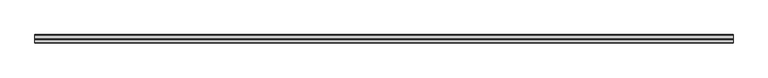
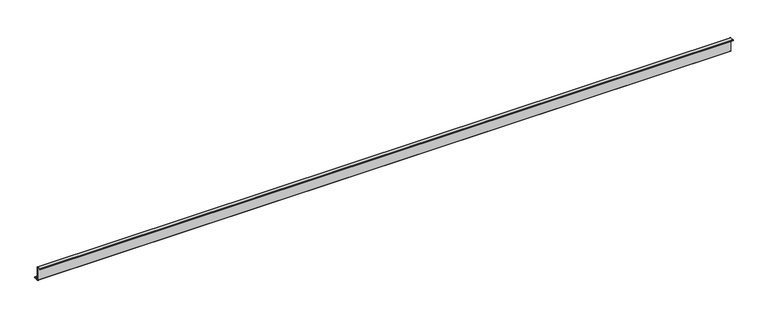
"""IFC4 building model written with IfcOpenShell, lengths in millimetres: member geometry."""

import ifcopenshell
import ifcopenshell.guid

model = None  # the IFC model being written
_history = None  # IfcOwnerHistory: only IFC2X3 demands one
_inside = {}  # id of a spatial element -> (the spatial element, [elements in it])
_under = {}  # id of a project, library or spatial element -> (it, [spatial elements below it])
_declared = {}  # id of a project -> (the project, [libraries it declares])
_typed = {}  # id of a type object -> (the type object, [elements of that type])
_made_of = {}  # id of a material, layer set ... -> (it, [elements and type objects made of it])


def new_model(schema):
    """Start an empty IFC model of exactly this schema.

    Asked for "IFC4X3", IfcOpenShell would pick the latest addendum, in which some entities
    have other attributes; the version numbers below select the first issue.
    IFC2X3 requires an IfcOwnerHistory on every rooted entity: one is made here for all.
    """
    global model, _history
    if schema == "IFC4X3":
        model = ifcopenshell.file(schema_version=(4, 3, 0, 0))
    else:
        model = ifcopenshell.file(schema=schema)
    _inside.clear()
    _under.clear()
    _declared.clear()
    _typed.clear()
    _made_of.clear()
    _history = None
    if model.schema == "IFC2X3":
        org = make("IfcOrganization", Name="unknown")
        user = make(
            "IfcPersonAndOrganization",
            ThePerson=make("IfcPerson", FamilyName="unknown"),
            TheOrganization=org,
        )
        app = make(
            "IfcApplication",
            ApplicationDeveloper=org,
            Version="unknown",
            ApplicationFullName="unknown",
            ApplicationIdentifier="unknown",
        )
        _history = make(
            "IfcOwnerHistory",
            OwningUser=user,
            OwningApplication=app,
            ChangeAction="ADDED",
            CreationDate=0,
        )
    return model


def make(cls, **values):
    """One entity of the class cls with the attributes given. An attribute that is None is left unset."""
    return model.create_entity(
        cls, **{name: value for name, value in values.items() if value is not None}
    )


def rooted(cls, **values):
    """An entity with a GlobalId (a new one), such as an element, a storey or a relation."""
    return make(cls, GlobalId=ifcopenshell.guid.new(), OwnerHistory=_history, **values)


def si_unit(unit_type, name, prefix=None):
    """IfcSIUnit, for example si_unit("LENGTHUNIT", "METRE", prefix="MILLI")."""
    return make("IfcSIUnit", UnitType=unit_type, Prefix=prefix, Name=name)


def assignment(units):
    """IfcUnitAssignment: the units of a project."""
    return None if units is None else make("IfcUnitAssignment", Units=units)


def point(xyz):
    """IfcCartesianPoint."""
    return None if xyz is None else make("IfcCartesianPoint", Coordinates=xyz)


def direction(xyz):
    """IfcDirection."""
    return None if xyz is None else make("IfcDirection", DirectionRatios=xyz)


def frame(location, z_axis=None, x_axis=None):
    """IfcAxis2Placement3D, a coordinate frame: its origin and axes. An axis left out is left unset."""
    return make(
        "IfcAxis2Placement3D",
        Location=point(location),
        Axis=direction(z_axis),
        RefDirection=direction(x_axis),
    )


def frame_2d(location, x_axis=None):
    """IfcAxis2Placement2D, a coordinate frame in the plane: its origin and x axis."""
    return make(
        "IfcAxis2Placement2D", Location=point(location), RefDirection=direction(x_axis)
    )


def origin():
    """The frame at (0, 0, 0) with its axes left unset."""
    return frame((0.0, 0.0, 0.0))


def place(relative_to, where):
    """IfcLocalPlacement: puts the frame where relative to a parent placement (None: the world)."""
    return make(
        "IfcLocalPlacement", PlacementRelTo=relative_to, RelativePlacement=where
    )


def context(
    kind, dimensions, precision=None, world=None, true_north=None, identifier=None
):
    """IfcGeometricRepresentationContext, for example the 3D "Model" context."""
    return make(
        "IfcGeometricRepresentationContext",
        ContextIdentifier=identifier,
        ContextType=kind,
        CoordinateSpaceDimension=dimensions,
        Precision=precision,
        WorldCoordinateSystem=world,
        TrueNorth=true_north,
    )


def project(units=None, contexts=None):
    """IfcProject with its units and contexts."""
    return rooted(
        "IfcProject",
        Name="project",
        RepresentationContexts=contexts,
        UnitsInContext=assignment(units),
    )


def spatial(cls, under=None, at=None, **own):
    """A site, building, storey or space (cls), placed at a placement, below another one or the project."""
    s = rooted(cls, ObjectPlacement=at, **own)
    if under is not None:
        _under.setdefault(under.id(), (under, []))[1].append(s)
    return s


def polyline(points):
    """IfcPolyline through the points."""
    return make("IfcPolyline", Points=[point(p) for p in points])


def circle_curve(where, radius):
    """IfcCircle in the frame where."""
    return make("IfcCircle", Position=where, Radius=radius)


def trimmed(basis, trim1, trim2, sense, master):
    """IfcTrimmedCurve: the piece of a basis curve between two trims."""
    return make(
        "IfcTrimmedCurve",
        BasisCurve=basis,
        Trim1=trim1,
        Trim2=trim2,
        SenseAgreement=sense,
        MasterRepresentation=master,
    )


def segment(curve, same_sense, transition):
    """IfcCompositeCurveSegment."""
    return make(
        "IfcCompositeCurveSegment",
        Transition=transition,
        SameSense=same_sense,
        ParentCurve=curve,
    )


def composite_curve(segments, self_intersect=None):
    """IfcCompositeCurve: segments joined end to end."""
    return make("IfcCompositeCurve", Segments=segments, SelfIntersect=self_intersect)


def outline(outer, holes=None, kind="AREA"):
    """IfcArbitraryClosedProfileDef: a profile drawn as a closed curve; with holes, ...WithVoids."""
    if holes is None:
        return make("IfcArbitraryClosedProfileDef", ProfileType=kind, OuterCurve=outer)
    return make(
        "IfcArbitraryProfileDefWithVoids",
        ProfileType=kind,
        OuterCurve=outer,
        InnerCurves=holes,
    )


def extrude(swept, where, along, depth):
    """IfcExtrudedAreaSolid: the profile swept, set in the frame where, extruded along a direction by depth."""
    return make(
        "IfcExtrudedAreaSolid",
        SweptArea=swept,
        Position=where,
        ExtrudedDirection=direction(along),
        Depth=depth,
    )


def shape(context_of_items, identifier, shape_type, items):
    """IfcShapeRepresentation: the items that make up one representation, for example the "Body"."""
    return make(
        "IfcShapeRepresentation",
        ContextOfItems=context_of_items,
        RepresentationIdentifier=identifier,
        RepresentationType=shape_type,
        Items=items,
    )


def source(mapping_origin, context_of_items, identifier, shape_type, items):
    """IfcRepresentationMap: a shape defined once, which mapped items show again and again."""
    return make(
        "IfcRepresentationMap",
        MappingOrigin=mapping_origin,
        MappedRepresentation=shape(context_of_items, identifier, shape_type, items),
    )


def transform(
    local_origin,
    x_axis=None,
    y_axis=None,
    z_axis=None,
    scale=None,
    scale2=None,
    scale3=None,
    uniform=True,
):
    """IfcCartesianTransformationOperator3D, or its non-uniform kind. x_axis, y_axis, z_axis: its Axis1, 2, 3."""
    if uniform:
        return make(
            "IfcCartesianTransformationOperator3D",
            Axis1=direction(x_axis),
            Axis2=direction(y_axis),
            LocalOrigin=point(local_origin),
            Scale=scale,
            Axis3=direction(z_axis),
        )
    return make(
        "IfcCartesianTransformationOperator3DnonUniform",
        Axis1=direction(x_axis),
        Axis2=direction(y_axis),
        LocalOrigin=point(local_origin),
        Scale=scale,
        Axis3=direction(z_axis),
        Scale2=scale2,
        Scale3=scale3,
    )


def mapped(mapping_source, mapping_target):
    """IfcMappedItem: shows the shape of a source again, moved by a transform."""
    return make(
        "IfcMappedItem", MappingSource=mapping_source, MappingTarget=mapping_target
    )


def made_of(thing, what):
    """Note that an element or type object is made of a material, layer set ...; save() writes the relation."""
    if what is not None:
        _made_of.setdefault(what.id(), (what, []))[1].append(thing)
    return thing


def element(
    cls,
    number,
    at=None,
    inside=None,
    cuts=None,
    type_object=None,
    material=None,
    context=None,
    identifier="Body",
    shape_type=None,
    held_by="IfcProductDefinitionShape",
    body=None,
    shapes=None,
    **own,
):
    """One element of the class cls, such as IfcWall. Its Tag is "e" and its number.

    at: its placement. inside: the storey or other place that contains it. cuts: it is an
    opening in that element (IfcRelVoidsElement). A single representation is given by context,
    identifier, shape_type and body (its items); several are given by shapes. held_by: the class
    of the entity that holds the representations. save() writes the other relations.
    """
    e = rooted(cls, Tag="e%d" % number, ObjectPlacement=at, **own)
    if body is not None:
        shapes = [shape(context, identifier, shape_type, body)]
    if shapes is not None:
        e.Representation = make(held_by, Representations=shapes)
    if inside is not None:
        _inside.setdefault(inside.id(), (inside, []))[1].append(e)
    if cuts is not None:
        rooted(
            "IfcRelVoidsElement", RelatingBuildingElement=cuts, RelatedOpeningElement=e
        )
    if type_object is not None:
        _typed.setdefault(type_object.id(), (type_object, []))[1].append(e)
    return made_of(e, material)


def aggregate(whole, parts):
    """IfcRelAggregates: a whole, such as a stair, and the parts it consists of."""
    return rooted("IfcRelAggregates", RelatingObject=whole, RelatedObjects=parts)


def save(model, path):
    """Write the relations noted so far, then the file.

    IfcRelAggregates (storeys below a building ...), IfcRelContainedInSpatialStructure (elements
    in a storey), IfcRelDefinesByType, IfcRelAssociatesMaterial and IfcRelDeclares: one each for
    every whole, place, type object, material and project.
    """
    for whole, parts in _under.values():
        aggregate(whole, parts)
    for where, things in _inside.values():
        rooted(
            "IfcRelContainedInSpatialStructure",
            RelatedElements=things,
            RelatingStructure=where,
        )
    for kind, things in _typed.values():
        rooted("IfcRelDefinesByType", RelatedObjects=things, RelatingType=kind)
    for what, things in _made_of.values():
        rooted("IfcRelAssociatesMaterial", RelatedObjects=things, RelatingMaterial=what)
    for by, libraries in _declared.values():
        rooted("IfcRelDeclares", RelatingContext=by, RelatedDefinitions=libraries)
    model.write(path)


def member_872abc2b(model_context):
    return source(origin(), model_context, "Body", "SweptSolid", [
        extrude(outline(composite_curve([segment(polyline([(0.0, -123.5), (0.0, 123.5)]), True, "CONTINUOUS"), segment(trimmed(circle_curve(frame_2d((-2.0, 123.5)), 2.0), [point((0.0, 123.5))], [point((-2.0, 125.5))], True, "CARTESIAN"), True, "CONTINUOUS"), segment(polyline([(-2.0, 125.5), (-63.5, 125.5)]), True, "CONTINUOUS"), segment(trimmed(circle_curve(frame_2d((-63.5, 123.5)), 2.0), [point((-63.5, 125.5))], [point((-65.5, 123.5))], True, "CARTESIAN"), True, "CONTINUOUS"), segment(polyline([(-65.5, 123.5), (-65.5, 107.0), (-67.0, 107.0), (-67.0, 123.5)]), True, "CONTINUOUS"), segment(trimmed(circle_curve(frame_2d((-63.5, 123.5)), 3.5), [point((-67.0, 123.5))], [point((-63.5, 127.0))], False, "CARTESIAN"), True, "CONTINUOUS"), segment(polyline([(-63.5, 127.0), (-2.0, 127.0)]), True, "CONTINUOUS"), segment(trimmed(circle_curve(frame_2d((-2.0, 123.5)), 3.5), [point((-2.0, 127.0))], [point((1.5, 123.5))], False, "CARTESIAN"), True, "CONTINUOUS"), segment(polyline([(1.5, 123.5), (1.5, -123.5)]), True, "CONTINUOUS"), segment(trimmed(circle_curve(frame_2d((3.5, -123.5)), 2.0), [point((1.5, -123.5))], [point((3.5, -125.5))], True, "CARTESIAN"), True, "CONTINUOUS"), segment(polyline([(3.5, -125.5), (75.0, -125.5)]), True, "CONTINUOUS"), segment(trimmed(circle_curve(frame_2d((75.0, -123.5)), 2.0), [point((75.0, -125.5))], [point((77.0, -123.5))], True, "CARTESIAN"), True, "CONTINUOUS"), segment(polyline([(77.0, -123.5), (77.0, -107.5), (78.5, -107.5), (78.5, -123.5)]), True, "CONTINUOUS"), segment(trimmed(circle_curve(frame_2d((75.0, -123.5)), 3.5), [point((78.5, -123.5))], [point((75.0, -127.0))], False, "CARTESIAN"), True, "CONTINUOUS"), segment(polyline([(75.0, -127.0), (3.5, -127.0)]), True, "CONTINUOUS"), segment(trimmed(circle_curve(frame_2d((3.5, -123.5)), 3.5), [point((3.5, -127.0))], [point((0.0, -123.5))], False, "CARTESIAN"), True, "CONTINUOUS")], self_intersect=False)), frame((-5652.5, 0.0, 0.0), z_axis=(1.0, 0.0, 0.0), x_axis=(0.0, 1.0, 0.0)), (0.0, 0.0, 1.0), 12055.0),
    ])


if __name__ == "__main__":
    model = new_model("IFC4")
    model_context = context("Model", 3, world=origin())
    ifc_project = project(units=[si_unit("LENGTHUNIT", "METRE", prefix="MILLI")], contexts=[model_context])
    site = spatial("IfcSite", under=ifc_project)
    building = spatial("IfcBuilding", under=site)
    placement = place(None, origin())
    member_shape = member_872abc2b(model_context)
    element("IfcMember", 1, at=placement, inside=building, context=model_context, shape_type="MappedRepresentation", body=[
        mapped(member_shape, transform((0.0, 0.0, 0.0), x_axis=(1.0, 0.0, 0.0), y_axis=(0.0, 1.0, 0.0), z_axis=(0.0, 0.0, 1.0))),
    ])
    save(model, "model.ifc")
